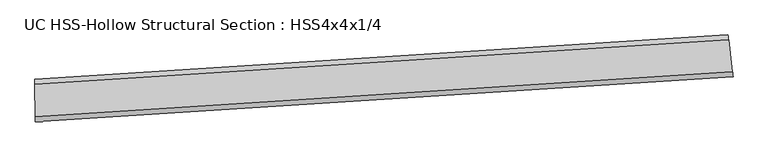
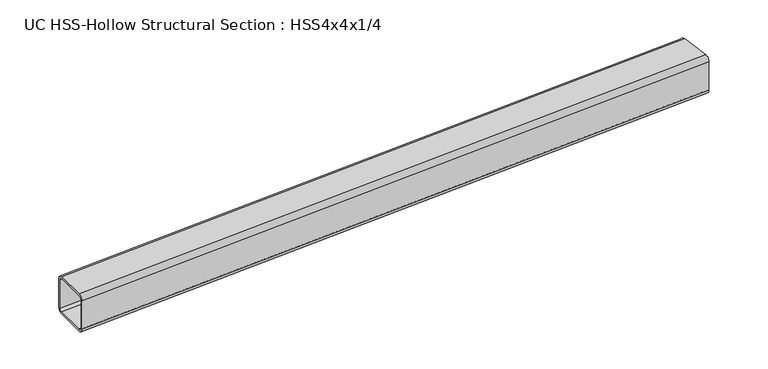
"""IFC4 building model written with IfcOpenShell, lengths in millimetres: beam geometry, UC HSS-Hollow Structural Section : HSS4x4x1/4."""

import ifcopenshell
import ifcopenshell.guid

model = None  # the IFC model being written
_history = None  # IfcOwnerHistory: only IFC2X3 demands one
_inside = {}  # id of a spatial element -> (the spatial element, [elements in it])
_under = {}  # id of a project, library or spatial element -> (it, [spatial elements below it])
_declared = {}  # id of a project -> (the project, [libraries it declares])
_typed = {}  # id of a type object -> (the type object, [elements of that type])
_made_of = {}  # id of a material, layer set ... -> (it, [elements and type objects made of it])


def new_model(schema):
    """Start an empty IFC model of exactly this schema.

    Asked for "IFC4X3", IfcOpenShell would pick the latest addendum, in which some entities
    have other attributes; the version numbers below select the first issue.
    IFC2X3 requires an IfcOwnerHistory on every rooted entity: one is made here for all.
    """
    global model, _history
    if schema == "IFC4X3":
        model = ifcopenshell.file(schema_version=(4, 3, 0, 0))
    else:
        model = ifcopenshell.file(schema=schema)
    _inside.clear()
    _under.clear()
    _declared.clear()
    _typed.clear()
    _made_of.clear()
    _history = None
    if model.schema == "IFC2X3":
        org = make("IfcOrganization", Name="unknown")
        user = make(
            "IfcPersonAndOrganization",
            ThePerson=make("IfcPerson", FamilyName="unknown"),
            TheOrganization=org,
        )
        app = make(
            "IfcApplication",
            ApplicationDeveloper=org,
            Version="unknown",
            ApplicationFullName="unknown",
            ApplicationIdentifier="unknown",
        )
        _history = make(
            "IfcOwnerHistory",
            OwningUser=user,
            OwningApplication=app,
            ChangeAction="ADDED",
            CreationDate=0,
        )
    return model


def make(cls, **values):
    """One entity of the class cls with the attributes given. An attribute that is None is left unset."""
    return model.create_entity(
        cls, **{name: value for name, value in values.items() if value is not None}
    )


def rooted(cls, **values):
    """An entity with a GlobalId (a new one), such as an element, a storey or a relation."""
    return make(cls, GlobalId=ifcopenshell.guid.new(), OwnerHistory=_history, **values)


def si_unit(unit_type, name, prefix=None):
    """IfcSIUnit, for example si_unit("LENGTHUNIT", "METRE", prefix="MILLI")."""
    return make("IfcSIUnit", UnitType=unit_type, Prefix=prefix, Name=name)


def assignment(units):
    """IfcUnitAssignment: the units of a project."""
    return None if units is None else make("IfcUnitAssignment", Units=units)


def point(xyz):
    """IfcCartesianPoint."""
    return None if xyz is None else make("IfcCartesianPoint", Coordinates=xyz)


def direction(xyz):
    """IfcDirection."""
    return None if xyz is None else make("IfcDirection", DirectionRatios=xyz)


def frame(location, z_axis=None, x_axis=None):
    """IfcAxis2Placement3D, a coordinate frame: its origin and axes. An axis left out is left unset."""
    return make(
        "IfcAxis2Placement3D",
        Location=point(location),
        Axis=direction(z_axis),
        RefDirection=direction(x_axis),
    )


def origin():
    """The frame at (0, 0, 0) with its axes left unset."""
    return frame((0.0, 0.0, 0.0))


def place(relative_to, where):
    """IfcLocalPlacement: puts the frame where relative to a parent placement (None: the world)."""
    return make(
        "IfcLocalPlacement", PlacementRelTo=relative_to, RelativePlacement=where
    )


def context(
    kind, dimensions, precision=None, world=None, true_north=None, identifier=None
):
    """IfcGeometricRepresentationContext, for example the 3D "Model" context."""
    return make(
        "IfcGeometricRepresentationContext",
        ContextIdentifier=identifier,
        ContextType=kind,
        CoordinateSpaceDimension=dimensions,
        Precision=precision,
        WorldCoordinateSystem=world,
        TrueNorth=true_north,
    )


def project(units=None, contexts=None):
    """IfcProject with its units and contexts."""
    return rooted(
        "IfcProject",
        Name="project",
        RepresentationContexts=contexts,
        UnitsInContext=assignment(units),
    )


def spatial(cls, under=None, at=None, **own):
    """A site, building, storey or space (cls), placed at a placement, below another one or the project."""
    s = rooted(cls, ObjectPlacement=at, **own)
    if under is not None:
        _under.setdefault(under.id(), (under, []))[1].append(s)
    return s


def polyline(points):
    """IfcPolyline through the points."""
    return make("IfcPolyline", Points=[point(p) for p in points])


def circle_curve(where, radius):
    """IfcCircle in the frame where."""
    return make("IfcCircle", Position=where, Radius=radius)


def ellipse_curve(where, semi_axis1, semi_axis2):
    """IfcEllipse in the frame where."""
    return make(
        "IfcEllipse", Position=where, SemiAxis1=semi_axis1, SemiAxis2=semi_axis2
    )


def trimmed(basis, trim1, trim2, sense, master):
    """IfcTrimmedCurve: the piece of a basis curve between two trims."""
    return make(
        "IfcTrimmedCurve",
        BasisCurve=basis,
        Trim1=trim1,
        Trim2=trim2,
        SenseAgreement=sense,
        MasterRepresentation=master,
    )


def shape(context_of_items, identifier, shape_type, items):
    """IfcShapeRepresentation: the items that make up one representation, for example the "Body"."""
    return make(
        "IfcShapeRepresentation",
        ContextOfItems=context_of_items,
        RepresentationIdentifier=identifier,
        RepresentationType=shape_type,
        Items=items,
    )


def source(mapping_origin, context_of_items, identifier, shape_type, items):
    """IfcRepresentationMap: a shape defined once, which mapped items show again and again."""
    return make(
        "IfcRepresentationMap",
        MappingOrigin=mapping_origin,
        MappedRepresentation=shape(context_of_items, identifier, shape_type, items),
    )


def transform(
    local_origin,
    x_axis=None,
    y_axis=None,
    z_axis=None,
    scale=None,
    scale2=None,
    scale3=None,
    uniform=True,
):
    """IfcCartesianTransformationOperator3D, or its non-uniform kind. x_axis, y_axis, z_axis: its Axis1, 2, 3."""
    if uniform:
        return make(
            "IfcCartesianTransformationOperator3D",
            Axis1=direction(x_axis),
            Axis2=direction(y_axis),
            LocalOrigin=point(local_origin),
            Scale=scale,
            Axis3=direction(z_axis),
        )
    return make(
        "IfcCartesianTransformationOperator3DnonUniform",
        Axis1=direction(x_axis),
        Axis2=direction(y_axis),
        LocalOrigin=point(local_origin),
        Scale=scale,
        Axis3=direction(z_axis),
        Scale2=scale2,
        Scale3=scale3,
    )


def mapped(mapping_source, mapping_target):
    """IfcMappedItem: shows the shape of a source again, moved by a transform."""
    return make(
        "IfcMappedItem", MappingSource=mapping_source, MappingTarget=mapping_target
    )


def made_of(thing, what):
    """Note that an element or type object is made of a material, layer set ...; save() writes the relation."""
    if what is not None:
        _made_of.setdefault(what.id(), (what, []))[1].append(thing)
    return thing


def element(
    cls,
    number,
    at=None,
    inside=None,
    cuts=None,
    type_object=None,
    material=None,
    context=None,
    identifier="Body",
    shape_type=None,
    held_by="IfcProductDefinitionShape",
    body=None,
    shapes=None,
    **own,
):
    """One element of the class cls, such as IfcWall. Its Tag is "e" and its number.

    at: its placement. inside: the storey or other place that contains it. cuts: it is an
    opening in that element (IfcRelVoidsElement). A single representation is given by context,
    identifier, shape_type and body (its items); several are given by shapes. held_by: the class
    of the entity that holds the representations. save() writes the other relations.
    """
    e = rooted(cls, Tag="e%d" % number, ObjectPlacement=at, **own)
    if body is not None:
        shapes = [shape(context, identifier, shape_type, body)]
    if shapes is not None:
        e.Representation = make(held_by, Representations=shapes)
    if inside is not None:
        _inside.setdefault(inside.id(), (inside, []))[1].append(e)
    if cuts is not None:
        rooted(
            "IfcRelVoidsElement", RelatingBuildingElement=cuts, RelatedOpeningElement=e
        )
    if type_object is not None:
        _typed.setdefault(type_object.id(), (type_object, []))[1].append(e)
    return made_of(e, material)


def aggregate(whole, parts):
    """IfcRelAggregates: a whole, such as a stair, and the parts it consists of."""
    return rooted("IfcRelAggregates", RelatingObject=whole, RelatedObjects=parts)


def save(model, path):
    """Write the relations noted so far, then the file.

    IfcRelAggregates (storeys below a building ...), IfcRelContainedInSpatialStructure (elements
    in a storey), IfcRelDefinesByType, IfcRelAssociatesMaterial and IfcRelDeclares: one each for
    every whole, place, type object, material and project.
    """
    for whole, parts in _under.values():
        aggregate(whole, parts)
    for where, things in _inside.values():
        rooted(
            "IfcRelContainedInSpatialStructure",
            RelatedElements=things,
            RelatingStructure=where,
        )
    for kind, things in _typed.values():
        rooted("IfcRelDefinesByType", RelatedObjects=things, RelatingType=kind)
    for what, things in _made_of.values():
        rooted("IfcRelAssociatesMaterial", RelatedObjects=things, RelatingMaterial=what)
    for by, libraries in _declared.values():
        rooted("IfcRelDeclares", RelatingContext=by, RelatedDefinitions=libraries)
    model.write(path)


def plane_surface(at):
    """IfcPlane: the flat surface through the origin of the frame at, square to its z axis."""
    return make("IfcPlane", Position=at)


def cylinder_surface(at, radius):
    """IfcCylindricalSurface: all points at the distance radius from the z axis of the frame at."""
    return make("IfcCylindricalSurface", Position=at, Radius=radius)


def revolved_surface(curve, axis_point, axis_direction):
    """IfcSurfaceOfRevolution: the curve turned about the line through axis_point along axis_direction."""
    return make(
        "IfcSurfaceOfRevolution",
        SweptCurve=make("IfcArbitraryOpenProfileDef", ProfileType="CURVE", Curve=curve),
        AxisPosition=make("IfcAxis1Placement", Location=point(axis_point), Axis=direction(axis_direction)),
    )


def advanced_brep(points, edges, surfaces, faces):
    """IfcAdvancedBrep: a solid bounded by faces that lie on surfaces and meet in shared edges.

    An edge is (start, end): straight between two places in points (the first is 0);
    or (start, end, curve); or (start, end, curve, False) where it runs against its curve.
    A face is (place in surfaces, loops), or (place, loops, False) where it looks against
    its surface's normal. A loop lists edges by number (the first is 1), with a minus sign
    where the edge is run from its end to its start. The first loop is the outer one.
    """
    corners = [point(p) for p in points]
    vertices = [make("IfcVertexPoint", VertexGeometry=c) for c in corners]
    made = []
    for start, end, *more in edges:
        made.append(
            make(
                "IfcEdgeCurve",
                EdgeStart=vertices[start],
                EdgeEnd=vertices[end],
                EdgeGeometry=more[0] if more else make("IfcPolyline", Points=[corners[start], corners[end]]),
                SameSense=more[1] if len(more) > 1 else True,
            )
        )
    hull = []
    for where, loops, *sense in faces:
        bounds = []
        for j, loop in enumerate(loops):
            ring = [make("IfcOrientedEdge", EdgeElement=made[abs(k) - 1], Orientation=k > 0) for k in loop]
            bounds.append(
                make(
                    "IfcFaceOuterBound" if j == 0 else "IfcFaceBound",
                    Bound=make("IfcEdgeLoop", EdgeList=ring),
                    Orientation=True,
                )
            )
        hull.append(make("IfcAdvancedFace", Bounds=bounds, FaceSurface=surfaces[where], SameSense=sense[0] if sense else True))
    return make("IfcAdvancedBrep", Outer=make("IfcClosedShell", CfsFaces=hull))


def uc_hss_hollow_structural_section_hss4x4x1_4_164ca57c(model_context):
    return source(origin(), model_context, "Body", "AdvancedBrep", [
        advanced_brep(
        [(1769.6442933, 57.3985598, 38.9636), (1769.6442933, 57.3985598, -38.9636), (1768.2022954, 69.146794, -50.8), (1758.7086264, 146.4935376, -50.8), (1757.2666285, 158.2417718, -38.9636), (1757.2666285, 158.2417718, 38.9636), (1758.7086264, 146.4935376, 50.8), (1768.2022954, 69.146794, 50.8), (1758.7086264, 146.4935376, 44.8818), (1757.9876274, 152.3676547, 38.9636), (1757.9876274, 152.3676547, -38.9636), (1758.7086264, 146.4935376, -44.8818), (1768.2022954, 69.146794, -44.8818), (1768.9232943, 63.2726769, -38.9636), (1768.9232943, 63.2726769, 38.9636), (1768.2022954, 69.146794, 44.8818), (89.6003282, -50.5236545, 38.9636), (89.5273172, -38.6874797, 50.8), (89.0466353, 39.2382378, 50.8), (88.9736243, 51.0744126, 38.9636), (88.9736243, 51.0744126, -38.9636), (89.0466353, 39.2382378, -50.8), (89.5273172, -38.6874797, -50.8), (89.6003282, -50.5236545, -38.9636), (89.0466353, 39.2382378, 44.8818), (89.5273172, -38.6874797, 44.8818), (89.5638227, -44.6055671, 38.9636), (89.5638227, -44.6055671, -38.9636), (89.5273172, -38.6874797, -44.8818), (89.0466353, 39.2382378, -44.8818), (89.0101298, 45.1563252, -38.9636), (89.0101298, 45.1563252, 38.9636)],
        [
            (0, 1),
            (1, 2, circle_curve(frame((1768.2022954, 69.146794, -38.9636), z_axis=(0.9925512995106595, 0.1218274100508629, 0.0), x_axis=(-0.1218274100508629, 0.9925512995106595, 0.0)), 11.8364)),
            (2, 3),
            (3, 4, circle_curve(frame((1758.7086264, 146.4935376, -38.9636), z_axis=(0.9925512995106595, 0.1218274100508629, 0.0), x_axis=(-0.1218274100508629, 0.9925512995106595, 0.0)), 11.8364)),
            (4, 5),
            (5, 6, circle_curve(frame((1758.7086264, 146.4935376, 38.9636), z_axis=(0.9925512995106595, 0.1218274100508629, 0.0), x_axis=(-0.1218274100508629, 0.9925512995106595, 0.0)), 11.8364)),
            (6, 7),
            (7, 0, circle_curve(frame((1768.2022954, 69.146794, 38.9636), z_axis=(0.9925512995106595, 0.1218274100508629, 0.0), x_axis=(-0.1218274100508629, 0.9925512995106595, 0.0)), 11.8364)),
            (8, 9, circle_curve(frame((1758.7086264, 146.4935376, 38.9636), z_axis=(-0.9925512995106595, -0.1218274100508629, 0.0), x_axis=(-0.1218274100508629, 0.9925512995106595, 0.0)), 5.9182)),
            (9, 10),
            (10, 11, circle_curve(frame((1758.7086264, 146.4935376, -38.9636), z_axis=(-0.9925512995106595, -0.1218274100508629, 0.0), x_axis=(-0.1218274100508629, 0.9925512995106595, 0.0)), 5.9182)),
            (11, 12),
            (12, 13, circle_curve(frame((1768.2022954, 69.146794, -38.9636), z_axis=(-0.9925512995106595, -0.1218274100508629, 0.0), x_axis=(-0.1218274100508629, 0.9925512995106595, 0.0)), 5.9182)),
            (13, 14),
            (14, 15, circle_curve(frame((1768.2022954, 69.146794, 38.9636), z_axis=(-0.9925512995106595, -0.1218274100508629, 0.0), x_axis=(-0.1218274100508629, 0.9925512995106595, 0.0)), 5.9182)),
            (15, 8),
            (16, 17, circle_curve(frame((89.5273172, -38.6874797, 38.9636), z_axis=(-0.9999809755811392, -0.006168344655830535, 0.0), x_axis=(-0.006168344655830535, 0.9999809755811392, 0.0)), 11.8364)),
            (17, 18),
            (18, 19, circle_curve(frame((89.0466353, 39.2382378, 38.9636), z_axis=(-0.9999809755811392, -0.006168344655830535, 0.0), x_axis=(-0.006168344655830535, 0.9999809755811392, 0.0)), 11.8364)),
            (19, 20),
            (20, 21, circle_curve(frame((89.0466353, 39.2382378, -38.9636), z_axis=(-0.9999809755811392, -0.006168344655830535, 0.0), x_axis=(-0.006168344655830535, 0.9999809755811392, 0.0)), 11.8364)),
            (21, 22),
            (22, 23, circle_curve(frame((89.5273172, -38.6874797, -38.9636), z_axis=(-0.9999809755811392, -0.006168344655830535, 0.0), x_axis=(-0.006168344655830535, 0.9999809755811392, 0.0)), 11.8364)),
            (23, 16),
            (24, 25),
            (25, 26, circle_curve(frame((89.5273172, -38.6874797, 38.9636), z_axis=(0.9999809755811392, 0.006168344655830535, 0.0), x_axis=(-0.006168344655830535, 0.9999809755811392, 0.0)), 5.9182)),
            (26, 27),
            (27, 28, circle_curve(frame((89.5273172, -38.6874797, -38.9636), z_axis=(0.9999809755811392, 0.006168344655830535, 0.0), x_axis=(-0.006168344655830535, 0.9999809755811392, 0.0)), 5.9182)),
            (28, 29),
            (29, 30, circle_curve(frame((89.0466353, 39.2382378, -38.9636), z_axis=(0.9999809755811392, 0.006168344655830535, 0.0), x_axis=(-0.006168344655830535, 0.9999809755811392, 0.0)), 5.9182)),
            (30, 31),
            (31, 24, circle_curve(frame((89.0466353, 39.2382378, 38.9636), z_axis=(0.9999809755811392, 0.006168344655830535, 0.0), x_axis=(-0.006168344655830535, 0.9999809755811392, 0.0)), 5.9182)),
            (7, 17, circle_curve(frame((0.0, 14475.0303741, 50.8), z_axis=(0.0, 0.0, -1.0), x_axis=(-0.1195687675970145, 0.9928259212043827, 0.0)), 14513.9939741)),
            (16, 0, circle_curve(frame((0.0, 14475.0303741, 38.9636), z_axis=(0.0, 0.0, 1.0), x_axis=(-0.1195687675970145, 0.9928259212043827, 0.0)), 14525.8303741)),
            (6, 18, circle_curve(frame((0.0, 14475.0303741, 50.8), z_axis=(0.0, 0.0, -1.0), x_axis=(-0.1195687675970145, 0.9928259212043827, 0.0)), 14436.0667741)),
            (5, 19, circle_curve(frame((0.0, 14475.0303741, 38.9636), z_axis=(0.0, 0.0, -1.0), x_axis=(-0.1195687675970145, 0.9928259212043827, 0.0)), 14424.2303741)),
            (4, 20, circle_curve(frame((0.0, 14475.0303741, -38.9636), z_axis=(0.0, 0.0, -1.0), x_axis=(-0.1195687675970145, 0.9928259212043827, 0.0)), 14424.2303741)),
            (3, 21, circle_curve(frame((0.0, 14475.0303741, -50.8), z_axis=(0.0, 0.0, -1.0), x_axis=(-0.1195687675970145, 0.9928259212043827, 0.0)), 14436.0667741)),
            (2, 22, circle_curve(frame((0.0, 14475.0303741, -50.8), z_axis=(0.0, 0.0, -1.0), x_axis=(-0.1195687675970145, 0.9928259212043827, 0.0)), 14513.9939741)),
            (1, 23, circle_curve(frame((0.0, 14475.0303741, -38.9636), z_axis=(0.0, 0.0, -1.0), x_axis=(-0.1195687675970145, 0.9928259212043827, 0.0)), 14525.8303741)),
            (15, 25, circle_curve(frame((0.0, 14475.0303741, 44.8818), z_axis=(0.0, 0.0, -1.0), x_axis=(-0.1195687675970145, 0.9928259212043827, 0.0)), 14513.9939741)),
            (24, 8, circle_curve(frame((0.0, 14475.0303741, 44.8818), z_axis=(0.0, 0.0, 1.0), x_axis=(-0.1195687675970145, 0.9928259212043827, 0.0)), 14436.0667741)),
            (14, 26, circle_curve(frame((0.0, 14475.0303741, 38.9636), z_axis=(0.0, 0.0, -1.0), x_axis=(-0.1195687675970145, 0.9928259212043827, 0.0)), 14519.9121741)),
            (13, 27, circle_curve(frame((0.0, 14475.0303741, -38.9636), z_axis=(0.0, 0.0, -1.0), x_axis=(-0.1195687675970145, 0.9928259212043827, 0.0)), 14519.9121741)),
            (12, 28, circle_curve(frame((0.0, 14475.0303741, -44.8818), z_axis=(0.0, 0.0, -1.0), x_axis=(-0.1195687675970145, 0.9928259212043827, 0.0)), 14513.9939741)),
            (11, 29, circle_curve(frame((0.0, 14475.0303741, -44.8818), z_axis=(0.0, 0.0, -1.0), x_axis=(-0.1195687675970145, 0.9928259212043827, 0.0)), 14436.0667741)),
            (10, 30, circle_curve(frame((0.0, 14475.0303741, -38.9636), z_axis=(0.0, 0.0, -1.0), x_axis=(-0.1195687675970145, 0.9928259212043827, 0.0)), 14430.1485741)),
            (9, 31, circle_curve(frame((0.0, 14475.0303741, 38.9636), z_axis=(0.0, 0.0, -1.0), x_axis=(-0.1195687675970145, 0.9928259212043827, 0.0)), 14430.1485741)),
        ],
        [
            plane_surface(frame((1763.4554609, 107.8201658, 0.0), z_axis=(0.9925512995106579, 0.12182741005087595, 0.0), x_axis=(0.0, 0.0, 1.0))),
            plane_surface(frame((89.2869763, 0.275379, 0.0), z_axis=(-0.9999809755811392, -0.006168344655837016, 0.0), x_axis=(0.0, 0.0, 1.0))),
            revolved_surface(trimmed(ellipse_curve(frame((-1735.4203724, 28884.8998119, 38.9636), z_axis=(-0.9928259212043835, -0.11956876759700806, 0.0), x_axis=(0.11956876759700806, -0.9928259212043835, 0.0)), 11.8364, 11.8364), [point((-1735.4203724, 28884.8998119, 50.8))], [point((-1736.8356362, 28896.6512966, 38.9636))], True, "CARTESIAN"), (0.0, 14475.0303741, 0.0), (0.0, 0.0, -1.0)),
            plane_surface(frame((0.0, 14475.0303741, 50.8), z_axis=(0.0, 0.0, 1.0), x_axis=(-0.1195687675970145, 0.9928259212043827, 0.0))),
            revolved_surface(trimmed(ellipse_curve(frame((-1726.1027131, 28807.5316677, 38.9636), z_axis=(-0.9928259212043835, -0.11956876759700806, 0.0), x_axis=(0.11956876759700806, -0.9928259212043835, 0.0)), 11.8364, 11.8364), [point((-1724.6874494, 28795.780183, 38.9636))], [point((-1726.1027131, 28807.5316677, 50.8))], True, "CARTESIAN"), (0.0, 14475.0303741, 0.0), (0.0, 0.0, -1.0)),
            revolved_surface(polyline([(-1724.6874493665603, 28795.780182930073, -38.9636), (-1724.6874493665603, 28795.780182930073, 38.9636)]), (0.0, 14475.0303741, 0.0), (0.0, 0.0, -1.0)),
            revolved_surface(trimmed(ellipse_curve(frame((-1726.1027131, 28807.5316677, -38.9636), z_axis=(-0.9928259212043835, -0.11956876759700806, 0.0), x_axis=(0.11956876759700806, -0.9928259212043835, 0.0)), 11.8364, 11.8364), [point((-1726.1027131, 28807.5316677, -50.8))], [point((-1724.6874494, 28795.780183, -38.9636))], True, "CARTESIAN"), (0.0, 14475.0303741, 0.0), (0.0, 0.0, -1.0)),
            plane_surface(frame((0.0, 14475.0303741, -50.8), z_axis=(0.0, 0.0, -1.0), x_axis=(-0.1195687675970145, 0.9928259212043827, 0.0))),
            revolved_surface(trimmed(ellipse_curve(frame((-1735.4203724, 28884.8998119, -38.9636), z_axis=(-0.9928259212043835, -0.11956876759700806, 0.0), x_axis=(0.11956876759700806, -0.9928259212043835, 0.0)), 11.8364, 11.8364), [point((-1736.8356362, 28896.6512966, -38.9636))], [point((-1735.4203724, 28884.8998119, -50.8))], True, "CARTESIAN"), (0.0, 14475.0303741, 0.0), (0.0, 0.0, -1.0)),
            cylinder_surface(frame((0.0, 14475.0303741, 0.0), z_axis=(0.0, 0.0, -1.0), x_axis=(-0.1195687675970145, 0.9928259212043827, 0.0)), 14525.8303741),
            plane_surface(frame((0.0, 14475.0303741, 44.8818), z_axis=(0.0, 0.0, -1.0), x_axis=(-0.1195687675970145, 0.9928259212043827, 0.0))),
            revolved_surface(trimmed(ellipse_curve(frame((-1735.4203724, 28884.8998119, 38.9636), z_axis=(0.9928259212043835, 0.11956876759700806, 0.0), x_axis=(0.11956876759700806, -0.9928259212043835, 0.0)), 5.9182, 5.9182), [point((-1736.1280043, 28890.7755542, 38.9636))], [point((-1735.4203724, 28884.8998119, 44.8818))], True, "CARTESIAN"), (0.0, 14475.0303741, 0.0), (0.0, 0.0, -1.0)),
            revolved_surface(polyline([(-1736.1280042740245, 28890.775554157564, -38.9636), (-1736.1280042740245, 28890.775554157564, 38.9636)]), (0.0, 14475.0303741, 0.0), (0.0, 0.0, -1.0)),
            revolved_surface(trimmed(ellipse_curve(frame((-1735.4203724, 28884.8998119, -38.9636), z_axis=(0.9928259212043835, 0.11956876759700806, 0.0), x_axis=(0.11956876759700806, -0.9928259212043835, 0.0)), 5.9182, 5.9182), [point((-1735.4203724, 28884.8998119, -44.8818))], [point((-1736.1280043, 28890.7755542, -38.9636))], True, "CARTESIAN"), (0.0, 14475.0303741, 0.0), (0.0, 0.0, -1.0)),
            plane_surface(frame((0.0, 14475.0303741, -44.8818), z_axis=(0.0, 0.0, 1.0), x_axis=(-0.1195687675970145, 0.9928259212043827, 0.0))),
            revolved_surface(trimmed(ellipse_curve(frame((-1726.1027131, 28807.5316677, -38.9636), z_axis=(0.9928259212043835, 0.11956876759700806, 0.0), x_axis=(0.11956876759700806, -0.9928259212043835, 0.0)), 5.9182, 5.9182), [point((-1725.3950813, 28801.6559254, -38.9636))], [point((-1726.1027131, 28807.5316677, -44.8818))], True, "CARTESIAN"), (0.0, 14475.0303741, 0.0), (0.0, 0.0, -1.0)),
            cylinder_surface(frame((0.0, 14475.0303741, 0.0), z_axis=(0.0, 0.0, -1.0), x_axis=(-0.1195687675970145, 0.9928259212043827, 0.0)), 14430.1485741),
            revolved_surface(trimmed(ellipse_curve(frame((-1726.1027131, 28807.5316677, 38.9636), z_axis=(0.9928259212043835, 0.11956876759700806, 0.0), x_axis=(0.11956876759700806, -0.9928259212043835, 0.0)), 5.9182, 5.9182), [point((-1726.1027131, 28807.5316677, 44.8818))], [point((-1725.3950813, 28801.6559254, 38.9636))], True, "CARTESIAN"), (0.0, 14475.0303741, 0.0), (0.0, 0.0, -1.0)),
        ],
        [
            (0, [[1, 2, 3, 4, 5, 6, 7, 8], [9, 10, 11, 12, 13, 14, 15, 16]]),
            (1, [[17, 18, 19, 20, 21, 22, 23, 24], [25, 26, 27, 28, 29, 30, 31, 32]]),
            (2, [[33, -17, 34, -8]]),
            (3, [[35, -18, -33, -7]]),
            (4, [[36, -19, -35, -6]]),
            (5, [[37, -20, -36, -5]]),
            (6, [[38, -21, -37, -4]]),
            (7, [[39, -22, -38, -3]]),
            (8, [[40, -23, -39, -2]]),
            (9, [[-34, -24, -40, -1]]),
            (10, [[41, -25, 42, -16]]),
            (11, [[43, -26, -41, -15]]),
            (12, [[44, -27, -43, -14]]),
            (13, [[45, -28, -44, -13]]),
            (14, [[46, -29, -45, -12]]),
            (15, [[47, -30, -46, -11]]),
            (16, [[48, -31, -47, -10]]),
            (17, [[-42, -32, -48, -9]]),
        ],
    ),
    ])


if __name__ == "__main__":
    model = new_model("IFC4")
    model_context = context("Model", 3, world=origin())
    ifc_project = project(units=[si_unit("LENGTHUNIT", "METRE", prefix="MILLI")], contexts=[model_context])
    site = spatial("IfcSite", under=ifc_project)
    building = spatial("IfcBuilding", under=site)
    placement = place(None, origin())
    uc_hss_hollow_structural_section_hss4x4x1_4_shape = uc_hss_hollow_structural_section_hss4x4x1_4_164ca57c(model_context)
    element("IfcBeam", 1, ObjectType="UC HSS-Hollow Structural Section : HSS4x4x1/4", at=placement, inside=building, context=model_context, shape_type="MappedRepresentation", body=[
        mapped(uc_hss_hollow_structural_section_hss4x4x1_4_shape, transform((0.0, 0.0, 0.0), x_axis=(1.0, 0.0, 0.0), y_axis=(0.0, 1.0, 0.0), z_axis=(0.0, 0.0, 1.0))),
    ])
    save(model, "model.ifc")
